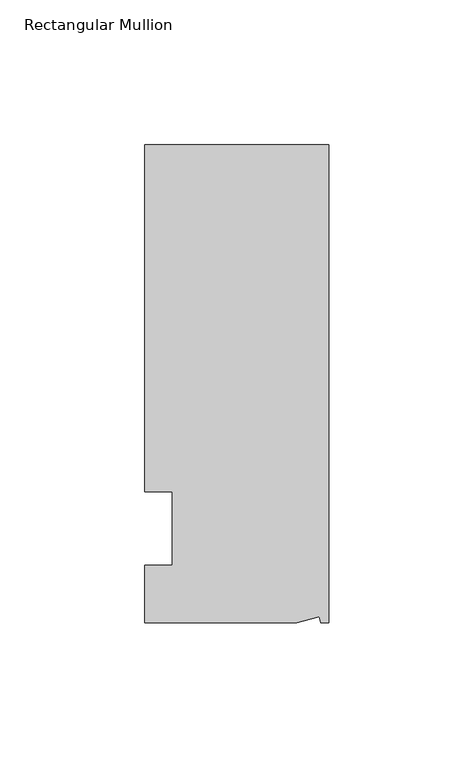
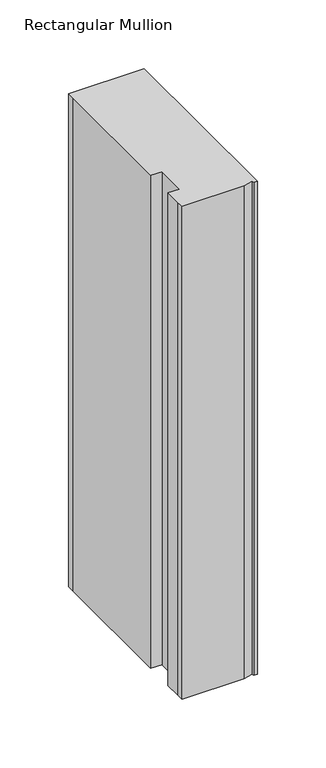
"""IFC4 building model written with IfcOpenShell, lengths in millimetres: member geometry, Rectangular Mullion."""

from ifc_helpers import new_model, si_unit, origin, place, context, project, spatial, faceted_brep, source, transform, mapped, element, save


def rectangular_mullion_4a09baee(model_context):
    return source(origin(), model_context, "Body", "Brep", [
        faceted_brep([(0.0, 132.5561012, 0.0), (-63.5, 132.5561012, 0.0), (-63.5, 126.2061012, 0.0), (-63.5, 12.8488281, 0.0), (-53.975, 12.8488281, 0.0), (-53.975, -12.7, 0.0), (-63.5, -12.7, 0.0), (-63.5, -26.1938988, 0.0), (-63.5076469, -32.5438988, 0.0), (-11.1125, -32.5438988, 0.0), (-3.3223696, -30.4565397, 0.0), (-2.7630634, -32.5438988, 0.0), (0.0, -32.5438988, 0.0), (0.0, 132.5561012, -438.15), (0.0, -32.5438988, -438.15), (-2.7630634, -32.5438988, -438.15), (-3.3223696, -30.4565397, -438.15), (-11.1125, -32.5438988, -438.15), (-63.5076469, -32.5438988, -438.15), (-63.5076469, -26.1938988, -438.15), (-63.5, -12.7, -438.15), (-53.975, -12.7, -438.15), (-53.975, 12.8488281, -438.15), (-63.5, 12.8488281, -438.15), (-63.5, 126.2061012, -438.15), (-63.5, 132.5561012, -438.15)], [[[0, 1, 2, 3, 4, 5, 6, 7, 8, 9, 10, 11, 12]], [[13, 14, 15, 16, 17, 18, 19, 20, 21, 22, 23, 24, 25]], [[0, 12, 14, 13]], [[1, 0, 13, 25]], [[3, 2, 24, 23]], [[4, 3, 23, 22]], [[5, 4, 22, 21]], [[6, 5, 21, 20]], [[7, 6, 20, 19]], [[9, 8, 18, 17]], [[10, 9, 17, 16]], [[11, 10, 16, 15]], [[12, 11, 15, 14]], [[2, 1, 25, 24]], [[8, 7, 19, 18]]]),
    ])


if __name__ == "__main__":
    model = new_model("IFC4")
    model_context = context("Model", 3, world=origin())
    ifc_project = project(units=[si_unit("LENGTHUNIT", "METRE", prefix="MILLI")], contexts=[model_context])
    site = spatial("IfcSite", under=ifc_project)
    building = spatial("IfcBuilding", under=site)
    placement = place(None, origin())
    rectangular_mullion_shape = rectangular_mullion_4a09baee(model_context)
    element("IfcMember", 1, ObjectType="Rectangular Mullion", at=placement, inside=building, context=model_context, shape_type="MappedRepresentation", body=[
        mapped(rectangular_mullion_shape, transform((0.0, 0.0, 0.0), x_axis=(1.0, 0.0, 0.0), y_axis=(0.0, 1.0, 0.0), z_axis=(0.0, 0.0, 1.0))),
    ])
    save(model, "model.ifc")
